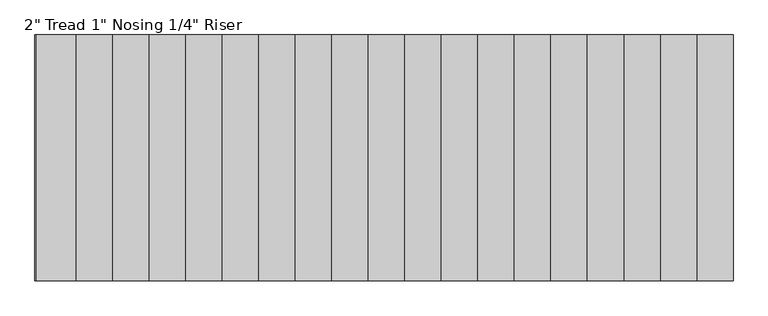
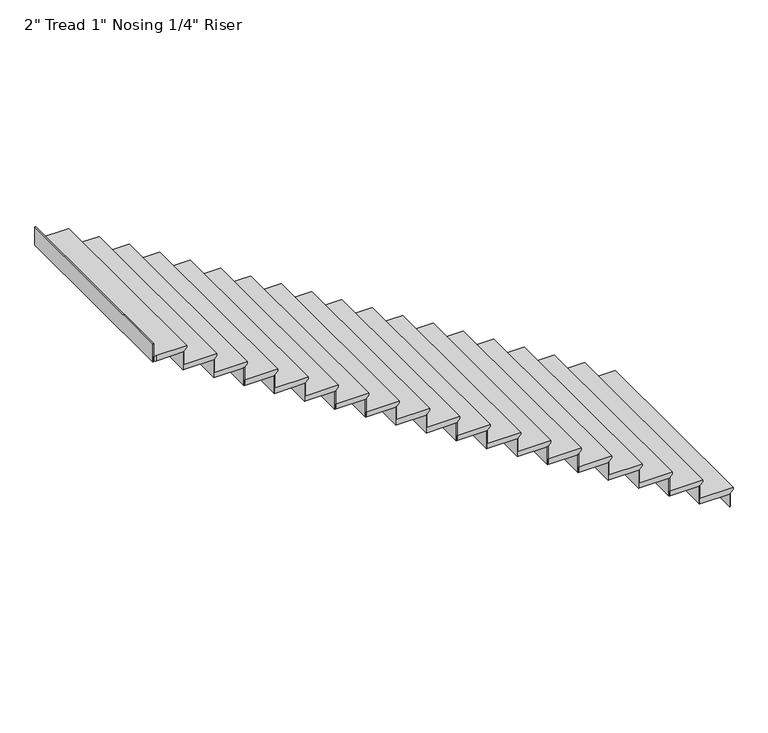
"""IFC4 building model written with IfcOpenShell, lengths in millimetres: stair flight geometry."""

from ifc_helpers import new_model, si_unit, origin, place, context, project, spatial, faceted_brep, source, transform, mapped, element, save


def stair_flight_02125525(model_context):
    return source(origin(), model_context, "Body", "Brep", [
        faceted_brep([(36008.9073009, -16542.8558393, -13103.147561), (36008.9073009, -16542.8558393, -13084.097561), (36008.9073009, -18422.4558393, -13084.097561), (36008.9073009, -18422.4558393, -13103.147561), (35983.5073009, -16542.8558393, -13128.547561), (35983.5073009, -18422.4558393, -13128.547561), (35704.1073009, -16542.8558393, -13084.097561), (35704.1073009, -18422.4558393, -13084.097561), (35983.5073009, -18422.4558393, -13134.897561), (35704.1073009, -18422.4558393, -13134.897561), (35704.1073009, -16542.8558393, -13134.897561), (35983.5073009, -16542.8558393, -13134.897561)], [[[0, 1, 2, 3]], [[4, 0, 3, 5]], [[2, 1, 6, 7]], [[8, 9, 10, 11]], [[2, 7, 9, 8, 5, 3]], [[8, 11, 4, 5]], [[6, 1, 0, 4, 11, 10]], [[7, 6, 10, 9]]]),
        faceted_brep([(35983.5073009, -16542.8558393, -13134.897561), (35983.5073009, -16542.8558393, -13258.8), (35977.1573009, -16542.8558393, -13258.8), (35977.1573009, -16542.8558393, -13134.897561), (35983.5073009, -18422.4558393, -13134.897561), (35977.1573009, -18422.4558393, -13134.897561), (35977.1573009, -18422.4558393, -13258.8), (35983.5073009, -18422.4558393, -13258.8)], [[[0, 1, 2, 3]], [[4, 5, 6, 7]], [[1, 0, 4, 7]], [[2, 1, 7, 6]], [[3, 2, 6, 5]], [[0, 3, 5, 4]]]),
        faceted_brep([(35704.1073009, -16542.8558393, -12960.195122), (35704.1073009, -16542.8558393, -13134.897561), (35697.7573009, -16542.8558393, -13134.897561), (35697.7573009, -16542.8558393, -12960.195122), (35704.1073009, -18422.4558393, -12960.195122), (35697.7573009, -18422.4558393, -12960.195122), (35697.7573009, -18422.4558393, -13134.897561), (35704.1073009, -18422.4558393, -13134.897561)], [[[0, 1, 2, 3]], [[4, 5, 6, 7]], [[1, 0, 4, 7]], [[2, 1, 7, 6]], [[3, 2, 6, 5]], [[0, 3, 5, 4]]]),
        faceted_brep([(35729.5073009, -18422.4558393, -12909.395122), (35729.5073009, -16542.8558393, -12909.395122), (35424.7073009, -16542.8558393, -12909.395122), (35424.7073009, -18422.4558393, -12909.395122), (35704.1073009, -18422.4558393, -12960.195122), (35424.7073009, -18422.4558393, -12960.195122), (35424.7073009, -16542.8558393, -12960.195122), (35704.1073009, -16542.8558393, -12960.195122), (35704.1073009, -18422.4558393, -12953.845122), (35729.5073009, -18422.4558393, -12928.445122), (35704.1073009, -16542.8558393, -12953.845122), (35729.5073009, -16542.8558393, -12928.445122)], [[[0, 1, 2, 3]], [[4, 5, 6, 7]], [[0, 3, 5, 4, 8, 9]], [[4, 7, 10, 8]], [[2, 1, 11, 10, 7, 6]], [[3, 2, 6, 5]], [[11, 1, 0, 9]], [[10, 11, 9, 8]]]),
        faceted_brep([(35424.7073009, -16542.8558393, -12785.4926829), (35424.7073009, -16542.8558393, -12960.195122), (35418.3573009, -16542.8558393, -12960.195122), (35418.3573009, -16542.8558393, -12785.4926829), (35424.7073009, -18422.4558393, -12785.4926829), (35418.3573009, -18422.4558393, -12785.4926829), (35418.3573009, -18422.4558393, -12960.195122), (35424.7073009, -18422.4558393, -12960.195122)], [[[0, 1, 2, 3]], [[4, 5, 6, 7]], [[1, 0, 4, 7]], [[2, 1, 7, 6]], [[3, 2, 6, 5]], [[0, 3, 5, 4]]]),
        faceted_brep([(35450.1073009, -18422.4558393, -12734.6926829), (35450.1073009, -16542.8558393, -12734.6926829), (35145.3073009, -16542.8558393, -12734.6926829), (35145.3073009, -18422.4558393, -12734.6926829), (35424.7073009, -18422.4558393, -12785.4926829), (35145.3073009, -18422.4558393, -12785.4926829), (35145.3073009, -16542.8558393, -12785.4926829), (35424.7073009, -16542.8558393, -12785.4926829), (35424.7073009, -18422.4558393, -12779.1426829), (35450.1073009, -18422.4558393, -12753.7426829), (35424.7073009, -16542.8558393, -12779.1426829), (35450.1073009, -16542.8558393, -12753.7426829)], [[[0, 1, 2, 3]], [[4, 5, 6, 7]], [[0, 3, 5, 4, 8, 9]], [[4, 7, 10, 8]], [[2, 1, 11, 10, 7, 6]], [[3, 2, 6, 5]], [[11, 1, 0, 9]], [[10, 11, 9, 8]]]),
        faceted_brep([(35145.3073009, -16542.8558393, -12610.7902439), (35145.3073009, -16542.8558393, -12785.4926829), (35138.9573009, -16542.8558393, -12785.4926829), (35138.9573009, -16542.8558393, -12610.7902439), (35145.3073009, -18422.4558393, -12610.7902439), (35138.9573009, -18422.4558393, -12610.7902439), (35138.9573009, -18422.4558393, -12785.4926829), (35145.3073009, -18422.4558393, -12785.4926829)], [[[0, 1, 2, 3]], [[4, 5, 6, 7]], [[1, 0, 4, 7]], [[2, 1, 7, 6]], [[3, 2, 6, 5]], [[0, 3, 5, 4]]]),
        faceted_brep([(35170.7073009, -18422.4558393, -12559.9902439), (35170.7073009, -16542.8558393, -12559.9902439), (34865.9073009, -16542.8558393, -12559.9902439), (34865.9073009, -18422.4558393, -12559.9902439), (35145.3073009, -18422.4558393, -12610.7902439), (34865.9073009, -18422.4558393, -12610.7902439), (34865.9073009, -16542.8558393, -12610.7902439), (35145.3073009, -16542.8558393, -12610.7902439), (35145.3073009, -18422.4558393, -12604.4402439), (35170.7073009, -18422.4558393, -12579.0402439), (35145.3073009, -16542.8558393, -12604.4402439), (35170.7073009, -16542.8558393, -12579.0402439)], [[[0, 1, 2, 3]], [[4, 5, 6, 7]], [[0, 3, 5, 4, 8, 9]], [[4, 7, 10, 8]], [[2, 1, 11, 10, 7, 6]], [[3, 2, 6, 5]], [[11, 1, 0, 9]], [[10, 11, 9, 8]]]),
        faceted_brep([(34865.9073009, -16542.8558393, -12436.0878049), (34865.9073009, -16542.8558393, -12610.7902439), (34859.5573009, -16542.8558393, -12610.7902439), (34859.5573009, -16542.8558393, -12436.0878049), (34865.9073009, -18422.4558393, -12436.0878049), (34859.5573009, -18422.4558393, -12436.0878049), (34859.5573009, -18422.4558393, -12610.7902439), (34865.9073009, -18422.4558393, -12610.7902439)], [[[0, 1, 2, 3]], [[4, 5, 6, 7]], [[1, 0, 4, 7]], [[2, 1, 7, 6]], [[3, 2, 6, 5]], [[0, 3, 5, 4]]]),
        faceted_brep([(34891.3073009, -18422.4558393, -12385.2878049), (34891.3073009, -16542.8558393, -12385.2878049), (34586.5073009, -16542.8558393, -12385.2878049), (34586.5073009, -18422.4558393, -12385.2878049), (34865.9073009, -18422.4558393, -12436.0878049), (34586.5073009, -18422.4558393, -12436.0878049), (34586.5073009, -16542.8558393, -12436.0878049), (34865.9073009, -16542.8558393, -12436.0878049), (34865.9073009, -18422.4558393, -12429.7378049), (34891.3073009, -18422.4558393, -12404.3378049), (34865.9073009, -16542.8558393, -12429.7378049), (34891.3073009, -16542.8558393, -12404.3378049)], [[[0, 1, 2, 3]], [[4, 5, 6, 7]], [[0, 3, 5, 4, 8, 9]], [[4, 7, 10, 8]], [[2, 1, 11, 10, 7, 6]], [[3, 2, 6, 5]], [[11, 1, 0, 9]], [[10, 11, 9, 8]]]),
        faceted_brep([(34586.5073009, -16542.8558393, -12261.3853659), (34586.5073009, -16542.8558393, -12436.0878049), (34580.1573009, -16542.8558393, -12436.0878049), (34580.1573009, -16542.8558393, -12261.3853659), (34586.5073009, -18422.4558393, -12261.3853659), (34580.1573009, -18422.4558393, -12261.3853659), (34580.1573009, -18422.4558393, -12436.0878049), (34586.5073009, -18422.4558393, -12436.0878049)], [[[0, 1, 2, 3]], [[4, 5, 6, 7]], [[1, 0, 4, 7]], [[2, 1, 7, 6]], [[3, 2, 6, 5]], [[0, 3, 5, 4]]]),
        faceted_brep([(34611.9073009, -18422.4558393, -12210.5853659), (34611.9073009, -16542.8558393, -12210.5853659), (34307.1073009, -16542.8558393, -12210.5853659), (34307.1073009, -18422.4558393, -12210.5853659), (34586.5073009, -18422.4558393, -12261.3853659), (34307.1073009, -18422.4558393, -12261.3853659), (34307.1073009, -16542.8558393, -12261.3853659), (34586.5073009, -16542.8558393, -12261.3853659), (34586.5073009, -18422.4558393, -12255.0353659), (34611.9073009, -18422.4558393, -12229.6353659), (34586.5073009, -16542.8558393, -12255.0353659), (34611.9073009, -16542.8558393, -12229.6353659)], [[[0, 1, 2, 3]], [[4, 5, 6, 7]], [[0, 3, 5, 4, 8, 9]], [[4, 7, 10, 8]], [[2, 1, 11, 10, 7, 6]], [[3, 2, 6, 5]], [[11, 1, 0, 9]], [[10, 11, 9, 8]]]),
        faceted_brep([(34307.1073009, -16542.8558393, -12086.6829268), (34307.1073009, -16542.8558393, -12261.3853659), (34300.7573009, -16542.8558393, -12261.3853659), (34300.7573009, -16542.8558393, -12086.6829268), (34307.1073009, -18422.4558393, -12086.6829268), (34300.7573009, -18422.4558393, -12086.6829268), (34300.7573009, -18422.4558393, -12261.3853659), (34307.1073009, -18422.4558393, -12261.3853659)], [[[0, 1, 2, 3]], [[4, 5, 6, 7]], [[1, 0, 4, 7]], [[2, 1, 7, 6]], [[3, 2, 6, 5]], [[0, 3, 5, 4]]]),
        faceted_brep([(34332.5073009, -18422.4558393, -12035.8829268), (34332.5073009, -16542.8558393, -12035.8829268), (34027.7073009, -16542.8558393, -12035.8829268), (34027.7073009, -18422.4558393, -12035.8829268), (34307.1073009, -18422.4558393, -12086.6829268), (34027.7073009, -18422.4558393, -12086.6829268), (34027.7073009, -16542.8558393, -12086.6829268), (34307.1073009, -16542.8558393, -12086.6829268), (34307.1073009, -18422.4558393, -12080.3329268), (34332.5073009, -18422.4558393, -12054.9329268), (34307.1073009, -16542.8558393, -12080.3329268), (34332.5073009, -16542.8558393, -12054.9329268)], [[[0, 1, 2, 3]], [[4, 5, 6, 7]], [[0, 3, 5, 4, 8, 9]], [[4, 7, 10, 8]], [[2, 1, 11, 10, 7, 6]], [[3, 2, 6, 5]], [[11, 1, 0, 9]], [[10, 11, 9, 8]]]),
        faceted_brep([(34027.7073009, -16542.8558393, -11911.9804878), (34027.7073009, -16542.8558393, -12086.6829268), (34021.3573009, -16542.8558393, -12086.6829268), (34021.3573009, -16542.8558393, -11911.9804878), (34027.7073009, -18422.4558393, -11911.9804878), (34021.3573009, -18422.4558393, -11911.9804878), (34021.3573009, -18422.4558393, -12086.6829268), (34027.7073009, -18422.4558393, -12086.6829268)], [[[0, 1, 2, 3]], [[4, 5, 6, 7]], [[1, 0, 4, 7]], [[2, 1, 7, 6]], [[3, 2, 6, 5]], [[0, 3, 5, 4]]]),
        faceted_brep([(34053.1073009, -18422.4558393, -11861.1804878), (34053.1073009, -16542.8558393, -11861.1804878), (33748.3073009, -16542.8558393, -11861.1804878), (33748.3073009, -18422.4558393, -11861.1804878), (34027.7073009, -18422.4558393, -11911.9804878), (33748.3073009, -18422.4558393, -11911.9804878), (33748.3073009, -16542.8558393, -11911.9804878), (34027.7073009, -16542.8558393, -11911.9804878), (34027.7073009, -18422.4558393, -11905.6304878), (34053.1073009, -18422.4558393, -11880.2304878), (34027.7073009, -16542.8558393, -11905.6304878), (34053.1073009, -16542.8558393, -11880.2304878)], [[[0, 1, 2, 3]], [[4, 5, 6, 7]], [[0, 3, 5, 4, 8, 9]], [[4, 7, 10, 8]], [[2, 1, 11, 10, 7, 6]], [[3, 2, 6, 5]], [[11, 1, 0, 9]], [[10, 11, 9, 8]]]),
        faceted_brep([(33748.3073009, -16542.8558393, -11737.2780488), (33748.3073009, -16542.8558393, -11911.9804878), (33741.9573009, -16542.8558393, -11911.9804878), (33741.9573009, -16542.8558393, -11737.2780488), (33748.3073009, -18422.4558393, -11737.2780488), (33741.9573009, -18422.4558393, -11737.2780488), (33741.9573009, -18422.4558393, -11911.9804878), (33748.3073009, -18422.4558393, -11911.9804878)], [[[0, 1, 2, 3]], [[4, 5, 6, 7]], [[1, 0, 4, 7]], [[2, 1, 7, 6]], [[3, 2, 6, 5]], [[0, 3, 5, 4]]]),
        faceted_brep([(33773.7073009, -18422.4558393, -11686.4780488), (33773.7073009, -16542.8558393, -11686.4780488), (33468.9073009, -16542.8558393, -11686.4780488), (33468.9073009, -18422.4558393, -11686.4780488), (33748.3073009, -18422.4558393, -11737.2780488), (33468.9073009, -18422.4558393, -11737.2780488), (33468.9073009, -16542.8558393, -11737.2780488), (33748.3073009, -16542.8558393, -11737.2780488), (33748.3073009, -18422.4558393, -11730.9280488), (33773.7073009, -18422.4558393, -11705.5280488), (33748.3073009, -16542.8558393, -11730.9280488), (33773.7073009, -16542.8558393, -11705.5280488)], [[[0, 1, 2, 3]], [[4, 5, 6, 7]], [[0, 3, 5, 4, 8, 9]], [[4, 7, 10, 8]], [[2, 1, 11, 10, 7, 6]], [[3, 2, 6, 5]], [[11, 1, 0, 9]], [[10, 11, 9, 8]]]),
        faceted_brep([(33468.9073009, -16542.8558393, -11562.5756098), (33468.9073009, -16542.8558393, -11737.2780488), (33462.5573009, -16542.8558393, -11737.2780488), (33462.5573009, -16542.8558393, -11562.5756098), (33468.9073009, -18422.4558393, -11562.5756098), (33462.5573009, -18422.4558393, -11562.5756098), (33462.5573009, -18422.4558393, -11737.2780488), (33468.9073009, -18422.4558393, -11737.2780488)], [[[0, 1, 2, 3]], [[4, 5, 6, 7]], [[1, 0, 4, 7]], [[2, 1, 7, 6]], [[3, 2, 6, 5]], [[0, 3, 5, 4]]]),
        faceted_brep([(33494.3073009, -18422.4558393, -11511.7756098), (33494.3073009, -16542.8558393, -11511.7756098), (33189.5073009, -16542.8558393, -11511.7756098), (33189.5073009, -18422.4558393, -11511.7756098), (33468.9073009, -18422.4558393, -11562.5756098), (33189.5073009, -18422.4558393, -11562.5756098), (33189.5073009, -16542.8558393, -11562.5756098), (33468.9073009, -16542.8558393, -11562.5756098), (33468.9073009, -18422.4558393, -11556.2256098), (33494.3073009, -18422.4558393, -11530.8256098), (33468.9073009, -16542.8558393, -11556.2256098), (33494.3073009, -16542.8558393, -11530.8256098)], [[[0, 1, 2, 3]], [[4, 5, 6, 7]], [[0, 3, 5, 4, 8, 9]], [[4, 7, 10, 8]], [[2, 1, 11, 10, 7, 6]], [[3, 2, 6, 5]], [[11, 1, 0, 9]], [[10, 11, 9, 8]]]),
        faceted_brep([(33189.5073009, -16542.8558393, -11387.8731707), (33189.5073009, -16542.8558393, -11562.5756098), (33183.1573009, -16542.8558393, -11562.5756098), (33183.1573009, -16542.8558393, -11387.8731707), (33189.5073009, -18422.4558393, -11387.8731707), (33183.1573009, -18422.4558393, -11387.8731707), (33183.1573009, -18422.4558393, -11562.5756098), (33189.5073009, -18422.4558393, -11562.5756098)], [[[0, 1, 2, 3]], [[4, 5, 6, 7]], [[1, 0, 4, 7]], [[2, 1, 7, 6]], [[3, 2, 6, 5]], [[0, 3, 5, 4]]]),
        faceted_brep([(33214.9073009, -18422.4558393, -11337.0731707), (33214.9073009, -16542.8558393, -11337.0731707), (32910.1073009, -16542.8558393, -11337.0731707), (32910.1073009, -18422.4558393, -11337.0731707), (33189.5073009, -18422.4558393, -11387.8731707), (32910.1073009, -18422.4558393, -11387.8731707), (32910.1073009, -16542.8558393, -11387.8731707), (33189.5073009, -16542.8558393, -11387.8731707), (33189.5073009, -18422.4558393, -11381.5231707), (33214.9073009, -18422.4558393, -11356.1231707), (33189.5073009, -16542.8558393, -11381.5231707), (33214.9073009, -16542.8558393, -11356.1231707)], [[[0, 1, 2, 3]], [[4, 5, 6, 7]], [[0, 3, 5, 4, 8, 9]], [[4, 7, 10, 8]], [[2, 1, 11, 10, 7, 6]], [[3, 2, 6, 5]], [[11, 1, 0, 9]], [[10, 11, 9, 8]]]),
        faceted_brep([(32910.1073009, -16542.8558393, -11213.1707317), (32910.1073009, -16542.8558393, -11387.8731707), (32903.7573009, -16542.8558393, -11387.8731707), (32903.7573009, -16542.8558393, -11213.1707317), (32910.1073009, -18422.4558393, -11213.1707317), (32903.7573009, -18422.4558393, -11213.1707317), (32903.7573009, -18422.4558393, -11387.8731707), (32910.1073009, -18422.4558393, -11387.8731707)], [[[0, 1, 2, 3]], [[4, 5, 6, 7]], [[1, 0, 4, 7]], [[2, 1, 7, 6]], [[3, 2, 6, 5]], [[0, 3, 5, 4]]]),
        faceted_brep([(32935.5073009, -18422.4558393, -11162.3707317), (32935.5073009, -16542.8558393, -11162.3707317), (32630.7073009, -16542.8558393, -11162.3707317), (32630.7073009, -18422.4558393, -11162.3707317), (32910.1073009, -18422.4558393, -11213.1707317), (32630.7073009, -18422.4558393, -11213.1707317), (32630.7073009, -16542.8558393, -11213.1707317), (32910.1073009, -16542.8558393, -11213.1707317), (32910.1073009, -18422.4558393, -11206.8207317), (32935.5073009, -18422.4558393, -11181.4207317), (32910.1073009, -16542.8558393, -11206.8207317), (32935.5073009, -16542.8558393, -11181.4207317)], [[[0, 1, 2, 3]], [[4, 5, 6, 7]], [[0, 3, 5, 4, 8, 9]], [[4, 7, 10, 8]], [[2, 1, 11, 10, 7, 6]], [[3, 2, 6, 5]], [[11, 1, 0, 9]], [[10, 11, 9, 8]]]),
        faceted_brep([(32630.7073009, -16542.8558393, -11038.4682927), (32630.7073009, -16542.8558393, -11213.1707317), (32624.3573009, -16542.8558393, -11213.1707317), (32624.3573009, -16542.8558393, -11038.4682927), (32630.7073009, -18422.4558393, -11038.4682927), (32624.3573009, -18422.4558393, -11038.4682927), (32624.3573009, -18422.4558393, -11213.1707317), (32630.7073009, -18422.4558393, -11213.1707317)], [[[0, 1, 2, 3]], [[4, 5, 6, 7]], [[1, 0, 4, 7]], [[2, 1, 7, 6]], [[3, 2, 6, 5]], [[0, 3, 5, 4]]]),
        faceted_brep([(32656.1073009, -18422.4558393, -10987.6682927), (32656.1073009, -16542.8558393, -10987.6682927), (32351.3073009, -16542.8558393, -10987.6682927), (32351.3073009, -18422.4558393, -10987.6682927), (32630.7073009, -18422.4558393, -11038.4682927), (32351.3073009, -18422.4558393, -11038.4682927), (32351.3073009, -16542.8558393, -11038.4682927), (32630.7073009, -16542.8558393, -11038.4682927), (32630.7073009, -18422.4558393, -11032.1182927), (32656.1073009, -18422.4558393, -11006.7182927), (32630.7073009, -16542.8558393, -11032.1182927), (32656.1073009, -16542.8558393, -11006.7182927)], [[[0, 1, 2, 3]], [[4, 5, 6, 7]], [[0, 3, 5, 4, 8, 9]], [[4, 7, 10, 8]], [[2, 1, 11, 10, 7, 6]], [[3, 2, 6, 5]], [[11, 1, 0, 9]], [[10, 11, 9, 8]]]),
        faceted_brep([(32351.3073009, -16542.8558393, -10863.7658537), (32351.3073009, -16542.8558393, -11038.4682927), (32344.9573009, -16542.8558393, -11038.4682927), (32344.9573009, -16542.8558393, -10863.7658537), (32351.3073009, -18422.4558393, -10863.7658537), (32344.9573009, -18422.4558393, -10863.7658537), (32344.9573009, -18422.4558393, -11038.4682927), (32351.3073009, -18422.4558393, -11038.4682927)], [[[0, 1, 2, 3]], [[4, 5, 6, 7]], [[1, 0, 4, 7]], [[2, 1, 7, 6]], [[3, 2, 6, 5]], [[0, 3, 5, 4]]]),
        faceted_brep([(32376.7073009, -18422.4558393, -10812.9658537), (32376.7073009, -16542.8558393, -10812.9658537), (32071.9073009, -16542.8558393, -10812.9658537), (32071.9073009, -18422.4558393, -10812.9658537), (32351.3073009, -18422.4558393, -10863.7658537), (32071.9073009, -18422.4558393, -10863.7658537), (32071.9073009, -16542.8558393, -10863.7658537), (32351.3073009, -16542.8558393, -10863.7658537), (32351.3073009, -18422.4558393, -10857.4158537), (32376.7073009, -18422.4558393, -10832.0158537), (32351.3073009, -16542.8558393, -10857.4158537), (32376.7073009, -16542.8558393, -10832.0158537)], [[[0, 1, 2, 3]], [[4, 5, 6, 7]], [[0, 3, 5, 4, 8, 9]], [[4, 7, 10, 8]], [[2, 1, 11, 10, 7, 6]], [[3, 2, 6, 5]], [[11, 1, 0, 9]], [[10, 11, 9, 8]]]),
        faceted_brep([(32071.9073009, -16542.8558393, -10689.0634146), (32071.9073009, -16542.8558393, -10863.7658537), (32065.5573009, -16542.8558393, -10863.7658537), (32065.5573009, -16542.8558393, -10689.0634146), (32071.9073009, -18422.4558393, -10689.0634146), (32065.5573009, -18422.4558393, -10689.0634146), (32065.5573009, -18422.4558393, -10863.7658537), (32071.9073009, -18422.4558393, -10863.7658537)], [[[0, 1, 2, 3]], [[4, 5, 6, 7]], [[1, 0, 4, 7]], [[2, 1, 7, 6]], [[3, 2, 6, 5]], [[0, 3, 5, 4]]]),
        faceted_brep([(32097.3073009, -18422.4558393, -10638.2634146), (32097.3073009, -16542.8558393, -10638.2634146), (31792.5073009, -16542.8558393, -10638.2634146), (31792.5073009, -18422.4558393, -10638.2634146), (32071.9073009, -18422.4558393, -10689.0634146), (31792.5073009, -18422.4558393, -10689.0634146), (31792.5073009, -16542.8558393, -10689.0634146), (32071.9073009, -16542.8558393, -10689.0634146), (32071.9073009, -18422.4558393, -10682.7134146), (32097.3073009, -18422.4558393, -10657.3134146), (32071.9073009, -16542.8558393, -10682.7134146), (32097.3073009, -16542.8558393, -10657.3134146)], [[[0, 1, 2, 3]], [[4, 5, 6, 7]], [[0, 3, 5, 4, 8, 9]], [[4, 7, 10, 8]], [[2, 1, 11, 10, 7, 6]], [[3, 2, 6, 5]], [[11, 1, 0, 9]], [[10, 11, 9, 8]]]),
        faceted_brep([(31792.5073009, -16542.8558393, -10514.3609756), (31792.5073009, -16542.8558393, -10689.0634146), (31786.1573009, -16542.8558393, -10689.0634146), (31786.1573009, -16542.8558393, -10514.3609756), (31792.5073009, -18422.4558393, -10514.3609756), (31786.1573009, -18422.4558393, -10514.3609756), (31786.1573009, -18422.4558393, -10689.0634146), (31792.5073009, -18422.4558393, -10689.0634146)], [[[0, 1, 2, 3]], [[4, 5, 6, 7]], [[1, 0, 4, 7]], [[2, 1, 7, 6]], [[3, 2, 6, 5]], [[0, 3, 5, 4]]]),
        faceted_brep([(31817.9073009, -18422.4558393, -10463.5609756), (31817.9073009, -16542.8558393, -10463.5609756), (31513.1073009, -16542.8558393, -10463.5609756), (31513.1073009, -18422.4558393, -10463.5609756), (31792.5073009, -18422.4558393, -10514.3609756), (31513.1073009, -18422.4558393, -10514.3609756), (31513.1073009, -16542.8558393, -10514.3609756), (31792.5073009, -16542.8558393, -10514.3609756), (31792.5073009, -18422.4558393, -10508.0109756), (31817.9073009, -18422.4558393, -10482.6109756), (31792.5073009, -16542.8558393, -10508.0109756), (31817.9073009, -16542.8558393, -10482.6109756)], [[[0, 1, 2, 3]], [[4, 5, 6, 7]], [[0, 3, 5, 4, 8, 9]], [[4, 7, 10, 8]], [[2, 1, 11, 10, 7, 6]], [[3, 2, 6, 5]], [[11, 1, 0, 9]], [[10, 11, 9, 8]]]),
        faceted_brep([(31513.1073009, -16542.8558393, -10339.6585366), (31513.1073009, -16542.8558393, -10514.3609756), (31506.7573009, -16542.8558393, -10514.3609756), (31506.7573009, -16542.8558393, -10339.6585366), (31513.1073009, -18422.4558393, -10339.6585366), (31506.7573009, -18422.4558393, -10339.6585366), (31506.7573009, -18422.4558393, -10514.3609756), (31513.1073009, -18422.4558393, -10514.3609756)], [[[0, 1, 2, 3]], [[4, 5, 6, 7]], [[1, 0, 4, 7]], [[2, 1, 7, 6]], [[3, 2, 6, 5]], [[0, 3, 5, 4]]]),
        faceted_brep([(31538.5073009, -18422.4558393, -10288.8585366), (31538.5073009, -16542.8558393, -10288.8585366), (31233.7073009, -16542.8558393, -10288.8585366), (31233.7073009, -18422.4558393, -10288.8585366), (31513.1073009, -18422.4558393, -10339.6585366), (31233.7073009, -18422.4558393, -10339.6585366), (31233.7073009, -16542.8558393, -10339.6585366), (31513.1073009, -16542.8558393, -10339.6585366), (31513.1073009, -18422.4558393, -10333.3085366), (31538.5073009, -18422.4558393, -10307.9085366), (31513.1073009, -16542.8558393, -10333.3085366), (31538.5073009, -16542.8558393, -10307.9085366)], [[[0, 1, 2, 3]], [[4, 5, 6, 7]], [[0, 3, 5, 4, 8, 9]], [[4, 7, 10, 8]], [[2, 1, 11, 10, 7, 6]], [[3, 2, 6, 5]], [[11, 1, 0, 9]], [[10, 11, 9, 8]]]),
        faceted_brep([(31233.7073009, -16542.8558393, -10164.9560976), (31233.7073009, -16542.8558393, -10339.6585366), (31227.3573009, -16542.8558393, -10339.6585366), (31227.3573009, -16542.8558393, -10164.9560976), (31233.7073009, -18422.4558393, -10164.9560976), (31227.3573009, -18422.4558393, -10164.9560976), (31227.3573009, -18422.4558393, -10339.6585366), (31233.7073009, -18422.4558393, -10339.6585366)], [[[0, 1, 2, 3]], [[4, 5, 6, 7]], [[1, 0, 4, 7]], [[2, 1, 7, 6]], [[3, 2, 6, 5]], [[0, 3, 5, 4]]]),
        faceted_brep([(31259.1073009, -18422.4558393, -10114.1560976), (31259.1073009, -16542.8558393, -10114.1560976), (30954.3073009, -16542.8558393, -10114.1560976), (30954.3073009, -18422.4558393, -10114.1560976), (31233.7073009, -18422.4558393, -10164.9560976), (30954.3073009, -18422.4558393, -10164.9560976), (30954.3073009, -16542.8558393, -10164.9560976), (31233.7073009, -16542.8558393, -10164.9560976), (31233.7073009, -18422.4558393, -10158.6060976), (31259.1073009, -18422.4558393, -10133.2060976), (31233.7073009, -16542.8558393, -10158.6060976), (31259.1073009, -16542.8558393, -10133.2060976)], [[[0, 1, 2, 3]], [[4, 5, 6, 7]], [[0, 3, 5, 4, 8, 9]], [[4, 7, 10, 8]], [[2, 1, 11, 10, 7, 6]], [[3, 2, 6, 5]], [[11, 1, 0, 9]], [[10, 11, 9, 8]]]),
        faceted_brep([(30674.9073009, -16542.8558393, -9815.5512195), (30674.9073009, -16542.8558393, -9990.2536585), (30668.5573009, -16542.8558393, -9990.2536585), (30668.5573009, -16542.8558393, -9815.5512195), (30674.9073009, -18422.4558393, -9815.5512195), (30668.5573009, -18422.4558393, -9815.5512195), (30668.5573009, -18422.4558393, -9990.2536585), (30674.9073009, -18422.4558393, -9990.2536585)], [[[0, 1, 2, 3]], [[4, 5, 6, 7]], [[1, 0, 4, 7]], [[2, 1, 7, 6]], [[3, 2, 6, 5]], [[0, 3, 5, 4]]]),
        faceted_brep([(30954.3073009, -16542.8558393, -9990.2536585), (30954.3073009, -16542.8558393, -10164.9560976), (30947.9573009, -16542.8558393, -10164.9560976), (30947.9573009, -16542.8558393, -9990.2536585), (30954.3073009, -18422.4558393, -9990.2536585), (30947.9573009, -18422.4558393, -9990.2536585), (30947.9573009, -18422.4558393, -10164.9560976), (30954.3073009, -18422.4558393, -10164.9560976)], [[[0, 1, 2, 3]], [[4, 5, 6, 7]], [[1, 0, 4, 7]], [[2, 1, 7, 6]], [[3, 2, 6, 5]], [[0, 3, 5, 4]]]),
        faceted_brep([(30674.9073009, -18422.4558393, -9939.4536585), (30700.3073009, -18422.4558393, -9939.4536585), (30979.7073009, -18422.4558393, -9939.4536585), (30979.7073009, -16542.8558393, -9939.4536585), (30700.3073009, -16542.8558393, -9939.4536585), (30674.9073009, -16542.8558393, -9939.4536585), (30700.3073009, -18422.4558393, -9990.2536585), (30674.9073009, -18422.4558393, -9990.2536585), (30674.9073009, -16542.8558393, -9990.2536585), (30700.3073009, -16542.8558393, -9990.2536585), (30954.3073009, -16542.8558393, -9990.2536585), (30954.3073009, -18422.4558393, -9990.2536585), (30954.3073009, -18422.4558393, -9983.9036585), (30979.7073009, -18422.4558393, -9958.5036585), (30954.3073009, -16542.8558393, -9983.9036585), (30979.7073009, -16542.8558393, -9958.5036585)], [[[0, 1, 2, 3, 4, 5]], [[6, 7, 8, 9, 10, 11]], [[1, 0, 7, 6]], [[2, 1, 6, 11, 12, 13]], [[11, 10, 14, 12]], [[4, 3, 15, 14, 10, 9]], [[5, 4, 9, 8]], [[0, 5, 8, 7]], [[15, 3, 2, 13]], [[14, 15, 13, 12]]]),
    ])


if __name__ == "__main__":
    model = new_model("IFC4")
    model_context = context("Model", 3, world=origin())
    ifc_project = project(units=[si_unit("LENGTHUNIT", "METRE", prefix="MILLI")], contexts=[model_context])
    site = spatial("IfcSite", under=ifc_project)
    building = spatial("IfcBuilding", under=site)
    placement = place(None, origin())
    stair_flight_shape = stair_flight_02125525(model_context)
    element("IfcStairFlight", 1, ObjectType="2\" Tread 1\" Nosing 1/4\" Riser", at=placement, inside=building, context=model_context, shape_type="MappedRepresentation", body=[
        mapped(stair_flight_shape, transform((0.0, 0.0, 0.0), x_axis=(1.0, 0.0, 0.0), y_axis=(0.0, 1.0, 0.0), z_axis=(0.0, 0.0, 1.0))),
    ])
    save(model, "model.ifc")
